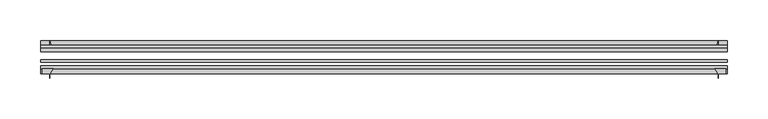
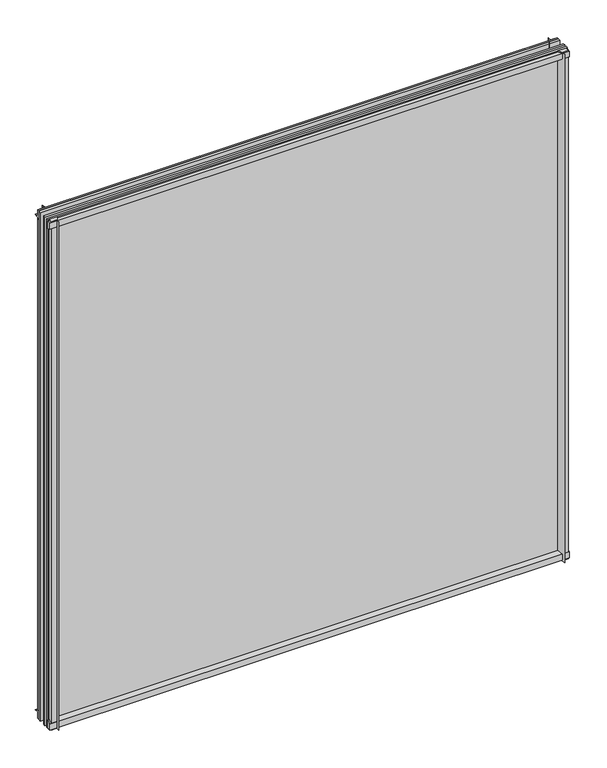
"""IFC4 building model written with IfcOpenShell, lengths in millimetres: plate geometry."""

from ifc_helpers import new_model, si_unit, point, frame, frame_2d, origin, place, context, project, spatial, polyline, circle_curve, trimmed, segment, composite_curve, outline, extrude, source, transform, mapped, element, save


def plate_94dea40c(model_context):
    return source(origin(), model_context, "Body", "SweptSolid", [
        extrude(outline(composite_curve([segment(polyline([(-42.891075, -11.1125), (-42.891075, 3.8539528)]), True, "CONTINUOUS"), segment(trimmed(circle_curve(frame_2d((-26.637892, 29.5913262)), 30.4397495), [point((-42.891075, 3.8539528))], [point((-33.7745413, 0.0))], True, "CARTESIAN"), True, "CONTINUOUS"), segment(polyline([(-33.7745413, 0.0), (-39.690675, 0.0), (-39.690675, -11.1125), (-42.891075, -11.1125)]), True, "CONTINUOUS")], self_intersect=False)), frame((-423.8624997, 0.0, 0.0), z_axis=(1.0, 0.0, 0.0), x_axis=(0.0, 1.0, 0.0)), (0.0, 0.0, 1.0), 847.7249994),
        extrude(outline(composite_curve([segment(trimmed(circle_curve(frame_2d((-80.4922797, 17.8701603)), 18.6769817), [point((-74.641075, 0.1333891))], [point((-68.291075, 3.72943))], True, "CARTESIAN"), True, "CONTINUOUS"), segment(polyline([(-68.291075, 3.72943), (-68.291075, -10.3251), (-74.641075, -10.3251), (-74.641075, 0.1333891)]), True, "CONTINUOUS")], self_intersect=False)), frame((-423.8624997, 0.0, 0.0), z_axis=(1.0, 0.0, 0.0), x_axis=(0.0, 1.0, 0.0)), (0.0, 0.0, 1.0), 847.7249994),
        extrude(outline(composite_curve([segment(polyline([(-42.891075, 850.2083472), (-42.891075, 865.1875), (-39.690675, 865.1875), (-39.690675, 854.075), (-33.721675, 854.075)]), True, "CONTINUOUS"), segment(trimmed(circle_curve(frame_2d((-26.637892, 824.4709738)), 30.4397495), [point((-33.721675, 854.075))], [point((-42.891075, 850.2083472))], True, "CARTESIAN"), True, "CONTINUOUS")], self_intersect=False)), frame((-423.8624997, 0.0, 0.0), z_axis=(1.0, 0.0, 0.0), x_axis=(0.0, 1.0, 0.0)), (0.0, 0.0, 1.0), 847.7249994),
        extrude(outline(composite_curve([segment(polyline([(-68.291075, 862.8126), (-68.291075, 849.53912)]), True, "CONTINUOUS"), segment(trimmed(circle_curve(frame_2d((-80.4922797, 835.3983897)), 18.6769817), [point((-68.291075, 849.53912))], [point((-74.641075, 853.1351609))], True, "CARTESIAN"), True, "CONTINUOUS"), segment(polyline([(-74.641075, 853.1351609), (-74.641075, 862.8126), (-68.291075, 862.8126)]), True, "CONTINUOUS")], self_intersect=False)), frame((-423.8624997, 0.0, 0.0), z_axis=(1.0, 0.0, 0.0), x_axis=(0.0, 1.0, 0.0)), (0.0, 0.0, 1.0), 847.7249994),
        extrude(outline(composite_curve([segment(polyline([(408.2141197, -68.291075), (421.4875997, -68.291075), (421.4875997, -74.641075), (412.7499997, -74.641075), (412.7499997, -80.3744844)]), True, "CONTINUOUS"), segment(trimmed(circle_curve(frame_2d((394.0733894, -80.4922797)), 18.6769817), [point((412.7499997, -80.3744844))], [point((408.2141197, -68.291075))], True, "CARTESIAN"), True, "CONTINUOUS")], self_intersect=False)), frame((0.0, 0.0, -11.1125), z_axis=(0.0, 0.0, 1.0), x_axis=(1.0, 0.0, 0.0)), (0.0, 0.0, 1.0), 876.3),
        extrude(outline(composite_curve([segment(trimmed(circle_curve(frame_2d((383.1459735, -26.637892)), 30.4397495), [point((408.883347, -42.891075))], [point((412.7499997, -33.721675))], True, "CARTESIAN"), True, "CONTINUOUS"), segment(polyline([(412.7499997, -33.721675), (412.7499997, -39.690675), (423.8624997, -39.690675), (423.8624997, -42.891075), (408.883347, -42.891075)]), True, "CONTINUOUS")], self_intersect=False)), frame((0.0, 0.0, -11.1125), z_axis=(0.0, 0.0, 1.0), x_axis=(1.0, 0.0, 0.0)), (0.0, 0.0, 1.0), 876.3),
        extrude(outline(composite_curve([segment(trimmed(circle_curve(frame_2d((-394.0733894, -80.4922797)), 18.6769817), [point((-408.2141197, -68.291075))], [point((-412.7499997, -80.3744844))], True, "CARTESIAN"), True, "CONTINUOUS"), segment(polyline([(-412.7499997, -80.3744844), (-412.7499997, -74.641075), (-421.4875997, -74.641075), (-421.4875997, -68.291075), (-408.2141197, -68.291075)]), True, "CONTINUOUS")], self_intersect=False)), frame((0.0, 0.0, -11.1125), z_axis=(0.0, 0.0, 1.0), x_axis=(1.0, 0.0, 0.0)), (0.0, 0.0, 1.0), 876.3),
        extrude(outline(composite_curve([segment(polyline([(-408.883347, -42.891075), (-423.8624997, -42.891075), (-423.8624997, -39.690675), (-412.7499997, -39.690675), (-412.7499997, -33.721675)]), True, "CONTINUOUS"), segment(trimmed(circle_curve(frame_2d((-383.1459735, -26.637892)), 30.4397495), [point((-412.7499997, -33.721675))], [point((-408.883347, -42.891075))], True, "CARTESIAN"), True, "CONTINUOUS")], self_intersect=False)), frame((0.0, 0.0, -11.1125), z_axis=(0.0, 0.0, 1.0), x_axis=(1.0, 0.0, 0.0)), (0.0, 0.0, 1.0), 876.3),
        extrude(outline(polyline([(-423.8624997, -42.891075), (423.8624997, -42.891075), (423.8624997, -47.653575), (-423.8624997, -47.653575), (-423.8624997, -42.891075)])), frame((0.0, 0.0, -11.1125), z_axis=(0.0, 0.0, 1.0), x_axis=(1.0, 0.0, 0.0)), (0.0, 0.0, 1.0), 876.3),
        extrude(outline(polyline([(423.8624997, -57.369075), (423.8624997, -60.544075), (-423.8624997, -60.544075), (-423.8624997, -57.369075), (423.8624997, -57.369075)])), frame((0.0, 0.0, -11.1125), z_axis=(0.0, 0.0, 1.0), x_axis=(1.0, 0.0, 0.0)), (0.0, 0.0, 1.0), 876.3),
        extrude(outline(polyline([(-423.8624997, -65.116075), (423.8624997, -65.116075), (423.8624997, -68.291075), (-423.8624997, -68.291075), (-423.8624997, -65.116075)])), frame((0.0, 0.0, -11.1125), z_axis=(0.0, 0.0, 1.0), x_axis=(1.0, 0.0, 0.0)), (0.0, 0.0, 1.0), 876.3),
    ])


if __name__ == "__main__":
    model = new_model("IFC4")
    model_context = context("Model", 3, world=origin())
    ifc_project = project(units=[si_unit("LENGTHUNIT", "METRE", prefix="MILLI")], contexts=[model_context])
    site = spatial("IfcSite", under=ifc_project)
    building = spatial("IfcBuilding", under=site)
    placement = place(None, origin())
    plate_shape = plate_94dea40c(model_context)
    element("IfcPlate", 1, at=placement, inside=building, context=model_context, shape_type="MappedRepresentation", body=[
        mapped(plate_shape, transform((0.0, 0.0, 0.0), x_axis=(1.0, 0.0, 0.0), y_axis=(0.0, 1.0, 0.0), z_axis=(0.0, 0.0, 1.0))),
    ])
    save(model, "model.ifc")
